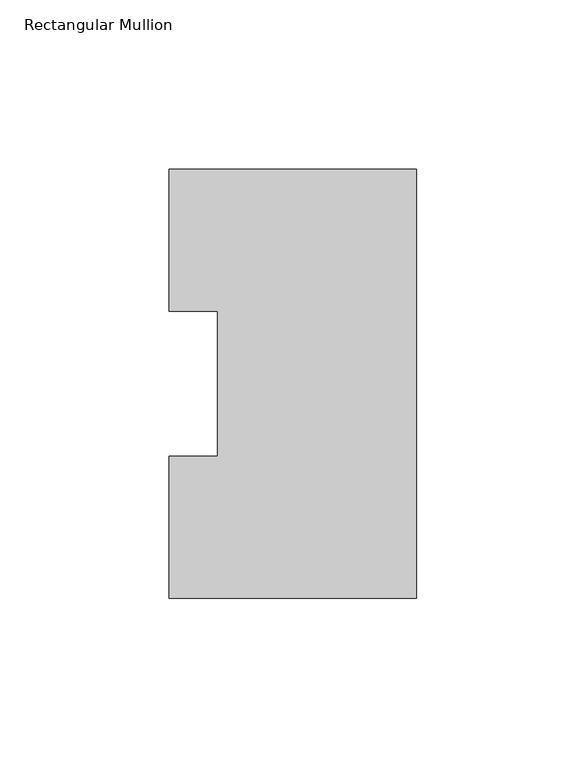
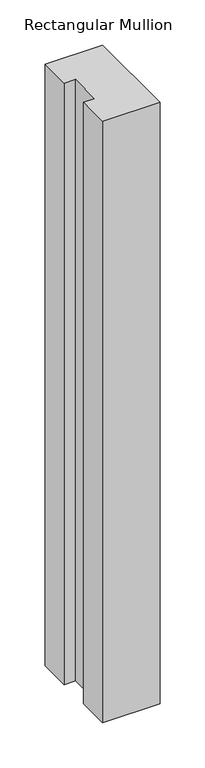
"""IFC4 building model written with IfcOpenShell, lengths in millimetres: member geometry, Rectangular Mullion."""

from ifc_helpers import new_model, si_unit, frame, origin, place, context, project, spatial, polyline, outline, extrude, source, transform, mapped, element, save


def rectangular_mullion_a32b9c46(model_context):
    return source(origin(), model_context, "Body", "SweptSolid", [
        extrude(outline(polyline([(0.0, 126.75235), (0.0, 0.26035), (-73.025, 0.26035), (-73.025, 42.0814491), (-58.7375, 42.0814491), (-58.7375, 84.93125), (-73.025, 84.93125), (-73.025, 126.75235), (0.0, 126.75235)])), frame((0.0, 0.0, -809.6247287), z_axis=(0.0, 0.0, 1.0), x_axis=(1.0, 0.0, 0.0)), (0.0, 0.0, 1.0), 809.6247287),
    ])


if __name__ == "__main__":
    model = new_model("IFC4")
    model_context = context("Model", 3, world=origin())
    ifc_project = project(units=[si_unit("LENGTHUNIT", "METRE", prefix="MILLI")], contexts=[model_context])
    site = spatial("IfcSite", under=ifc_project)
    building = spatial("IfcBuilding", under=site)
    placement = place(None, origin())
    rectangular_mullion_shape = rectangular_mullion_a32b9c46(model_context)
    element("IfcMember", 1, ObjectType="Rectangular Mullion", at=placement, inside=building, context=model_context, shape_type="MappedRepresentation", body=[
        mapped(rectangular_mullion_shape, transform((0.0, 0.0, 0.0), x_axis=(1.0, 0.0, 0.0), y_axis=(0.0, 1.0, 0.0), z_axis=(0.0, 0.0, 1.0))),
    ])
    save(model, "model.ifc")
